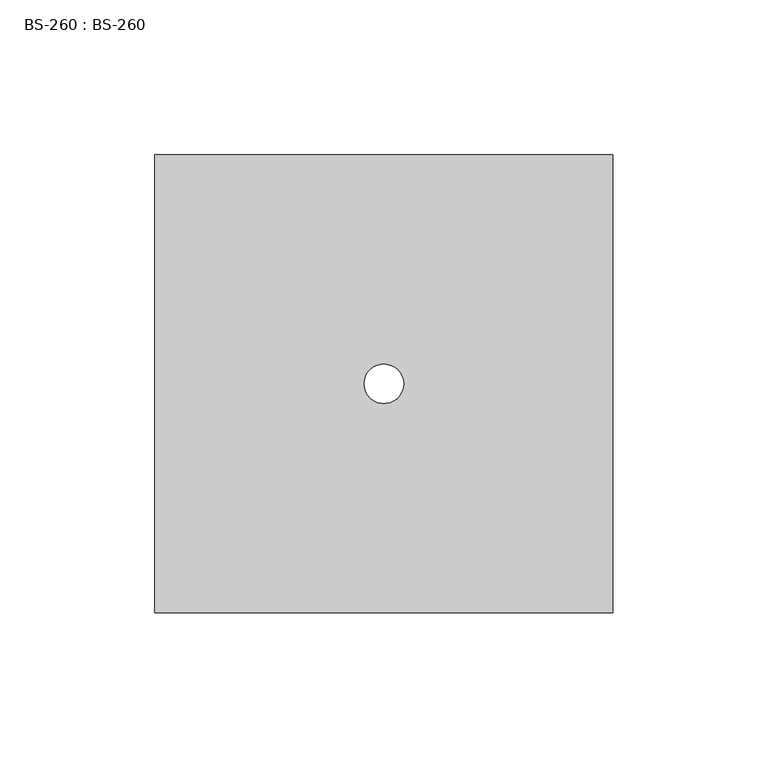
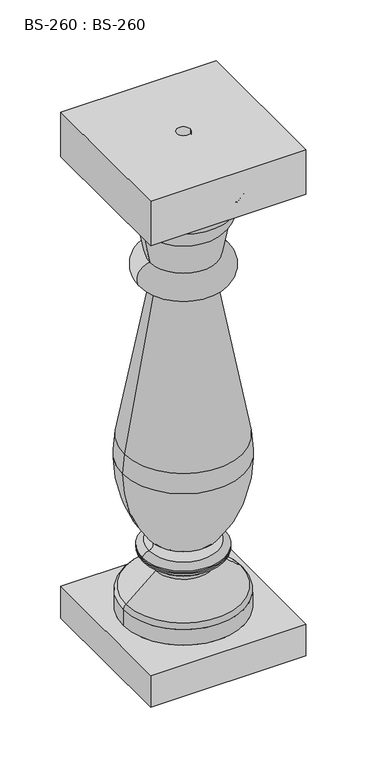
"""IFC4 building model written with IfcOpenShell, lengths in millimetres: proxy geometry, BS-260 : BS-260."""

from ifc_helpers import new_model, si_unit, point, frame, origin, origin_with_axes, place, context, project, spatial, polyline, circle_curve, ellipse_curve, trimmed, source, transform, mapped, element, save
from ifc_brep_helpers import plane_surface, cylinder_surface, revolved_surface, advanced_brep


def bs_260_bs_260_03b27fe0(model_context):
    return source(origin(), model_context, "Body", "AdvancedBrep", [
        advanced_brep(
        [(73.81875, -73.8011067, 508.0), (73.81875, 73.8363933, 508.0), (-73.81875, 73.8363933, 508.0), (-73.81875, -73.8011067, 508.0), (-6.35, 0.0, 508.0), (6.35, 0.0, 508.0), (73.81875, -73.8011067, 463.55), (-73.81875, -73.8011067, 463.55), (-73.81875, 73.8363933, 463.55), (73.81875, 73.8363933, 463.55), (58.1806458, 0.0, 463.55), (-58.1806458, 0.0, 463.55), (-38.1, 0.0, 419.1), (38.1, 0.0, 419.1), (31.75, 0.0, 387.35), (-31.75, 0.0, 387.35), (-45.281237, 0.0, 435.8562196), (45.281237, 0.0, 435.8562196), (-57.15, 0.0, 47.2792456), (57.15, 0.0, 47.2792456), (57.15, 0.0, 31.75), (-57.15, 0.0, 31.75), (-54.8801407, 0.0, 52.1449369), (54.8801407, 0.0, 52.1449369), (-26.19375, 0.0, 80.9625), (26.19375, 0.0, 80.9625), (26.19375, 0.0, 76.2), (-26.19375, 0.0, 76.2), (-28.575, 0.0, 80.9625), (28.575, 0.0, 80.9625), (-33.047238, 0.0, 85.8625103), (33.047238, 0.0, 85.8625103), (-39.2439541, 0.0, 90.7625206), (39.2439541, 0.0, 90.7625206), (-39.2439541, 0.0, 92.075), (39.2439541, 0.0, 92.075), (-39.2439541, 0.0, 93.3874794), (39.2439541, 0.0, 93.3874794), (-33.047238, 0.0, 98.2874897), (33.047238, 0.0, 98.2874897), (-30.8275565, 0.0, 107.356625), (30.8275565, 0.0, 107.356625), (-31.75, 0.0, 107.95), (31.75, 0.0, 107.95), (-57.94375, 0.0, 184.15), (57.94375, 0.0, 184.15), (-56.1846618, 0.0, 203.2537703), (56.1846618, 0.0, 203.2537703), (-26.9875, 0.0, 361.95), (26.9875, 0.0, 361.95), (-31.75, 0.0, 361.95), (31.75, 0.0, 361.95), (73.81875, -73.81875, 31.75), (73.81875, 73.81875, 31.75), (-73.81875, 73.81875, 31.75), (-73.81875, -73.81875, 31.75), (73.81875, -73.81875, 0.0), (-73.81875, -73.81875, 0.0), (-73.81875, 73.81875, 0.0), (73.81875, 73.81875, 0.0), (6.35, 0.0, 0.0), (-6.35, 0.0, 0.0)],
        [
            (0, 1),
            (1, 2),
            (2, 3),
            (3, 0),
            (4, 5, circle_curve(frame((0.0, 0.0, 508.0), z_axis=(0.0, 0.0, -1.0), x_axis=(1.0, 0.0, 0.0)), 6.35)),
            (5, 4, circle_curve(frame((0.0, 0.0, 508.0), z_axis=(0.0, 0.0, -1.0), x_axis=(1.0, 0.0, 0.0)), 6.35)),
            (6, 7),
            (7, 8),
            (8, 9),
            (9, 6),
            (10, 11, circle_curve(frame((0.0, 0.0, 463.55), z_axis=(0.0, 0.0, 1.0), x_axis=(1.0, 0.0, 0.0)), 58.1806458)),
            (11, 10, circle_curve(frame((0.0, 0.0, 463.55), z_axis=(0.0, 0.0, 1.0), x_axis=(1.0, 0.0, 0.0)), 58.1806458)),
            (0, 6),
            (9, 1),
            (8, 2),
            (7, 3),
            (12, 13, circle_curve(frame((0.0, 0.0, 419.1), z_axis=(0.0, 0.0, -1.0), x_axis=(1.0, 0.0, 0.0)), 38.1)),
            (13, 14),
            (14, 15, circle_curve(frame((0.0, 0.0, 387.35), z_axis=(0.0, 0.0, 1.0), x_axis=(1.0, 0.0, 0.0)), 31.75)),
            (15, 12),
            (13, 12, circle_curve(frame((0.0, 0.0, 419.1), z_axis=(0.0, 0.0, -1.0), x_axis=(1.0, 0.0, 0.0)), 38.1)),
            (15, 14, circle_curve(frame((0.0, 0.0, 387.35), z_axis=(0.0, 0.0, 1.0), x_axis=(1.0, 0.0, 0.0)), 31.75)),
            (12, 16, circle_curve(frame((-15.2631426, 0.0, 438.8041709), z_axis=(0.0, 1.0, 0.0), x_axis=(-1.0, 0.0, 0.0)), 30.1625)),
            (16, 17, circle_curve(frame((0.0, 0.0, 435.8562196), z_axis=(0.0, 0.0, -1.0), x_axis=(1.0, 0.0, 0.0)), 45.281237)),
            (17, 13, circle_curve(frame((15.2631426, 0.0, 438.8041709), z_axis=(0.0, 1.0, 0.0), x_axis=(1.0, 0.0, 0.0)), 30.1625)),
            (17, 16, circle_curve(frame((0.0, 0.0, 435.8562196), z_axis=(0.0, 0.0, -1.0), x_axis=(1.0, 0.0, 0.0)), 45.281237)),
            (16, 11, circle_curve(frame((-91.1243616, 0.0, 431.3541583), z_axis=(0.0, -1.0, 0.0), x_axis=(-1.0, 0.0, 0.0)), 46.0636585)),
            (10, 17, circle_curve(frame((91.1243616, 0.0, 431.3541583), z_axis=(0.0, -1.0, 0.0), x_axis=(1.0, 0.0, 0.0)), 46.0636585)),
            (18, 19, circle_curve(frame((0.0, 0.0, 47.2792456), z_axis=(0.0, 0.0, -1.0), x_axis=(1.0, 0.0, 0.0)), 57.15)),
            (19, 20),
            (20, 21, circle_curve(frame((0.0, 0.0, 31.75), z_axis=(0.0, 0.0, 1.0), x_axis=(1.0, 0.0, 0.0)), 57.15)),
            (21, 18),
            (19, 18, circle_curve(frame((0.0, 0.0, 47.2792456), z_axis=(0.0, 0.0, -1.0), x_axis=(1.0, 0.0, 0.0)), 57.15)),
            (21, 20, circle_curve(frame((0.0, 0.0, 31.75), z_axis=(0.0, 0.0, 1.0), x_axis=(1.0, 0.0, 0.0)), 57.15)),
            (18, 22, circle_curve(frame((-50.8, 0.0, 47.2792456), z_axis=(0.0, 1.0, 0.0), x_axis=(-1.0, 0.0, 0.0)), 6.35)),
            (22, 23, circle_curve(frame((0.0, 0.0, 52.1449369), z_axis=(0.0, 0.0, -1.0), x_axis=(1.0, 0.0, 0.0)), 54.8801407)),
            (23, 19, circle_curve(frame((50.8, 0.0, 47.2792456), z_axis=(0.0, 1.0, 0.0), x_axis=(1.0, 0.0, 0.0)), 6.35)),
            (23, 22, circle_curve(frame((0.0, 0.0, 52.1449369), z_axis=(0.0, 0.0, -1.0), x_axis=(1.0, 0.0, 0.0)), 54.8801407)),
            (24, 25, circle_curve(frame((0.0, 0.0, 80.9625), z_axis=(0.0, 0.0, -1.0), x_axis=(1.0, 0.0, 0.0)), 26.19375)),
            (25, 26),
            (26, 27, circle_curve(frame((0.0, 0.0, 76.2), z_axis=(0.0, 0.0, 1.0), x_axis=(1.0, 0.0, 0.0)), 26.19375)),
            (27, 24),
            (25, 24, circle_curve(frame((0.0, 0.0, 80.9625), z_axis=(0.0, 0.0, -1.0), x_axis=(1.0, 0.0, 0.0)), 26.19375)),
            (27, 26, circle_curve(frame((0.0, 0.0, 76.2), z_axis=(0.0, 0.0, 1.0), x_axis=(1.0, 0.0, 0.0)), 26.19375)),
            (24, 28),
            (28, 29, circle_curve(frame((0.0, 0.0, 80.9625), z_axis=(0.0, 0.0, -1.0), x_axis=(1.0, 0.0, 0.0)), 28.575)),
            (29, 25),
            (29, 28, circle_curve(frame((0.0, 0.0, 80.9625), z_axis=(0.0, 0.0, -1.0), x_axis=(1.0, 0.0, 0.0)), 28.575)),
            (28, 30, circle_curve(frame((-33.5583966, 0.0, 80.9050657), z_axis=(0.0, -1.0, 0.0), x_axis=(-1.0, 0.0, 0.0)), 4.9837276)),
            (30, 31, circle_curve(frame((0.0, 0.0, 85.8625103), z_axis=(0.0, 0.0, -1.0), x_axis=(1.0, 0.0, 0.0)), 33.047238)),
            (31, 29, circle_curve(frame((33.5583966, 0.0, 80.9050657), z_axis=(0.0, -1.0, 0.0), x_axis=(1.0, 0.0, 0.0)), 4.9837276)),
            (31, 30, circle_curve(frame((0.0, 0.0, 85.8625103), z_axis=(0.0, 0.0, -1.0), x_axis=(1.0, 0.0, 0.0)), 33.047238)),
            (30, 32, circle_curve(frame((-32.2921477, 0.0, 93.1857145), z_axis=(0.0, 1.0, 0.0), x_axis=(-1.0, 0.0, 0.0)), 7.3620296)),
            (32, 33, circle_curve(frame((0.0, 0.0, 90.7625206), z_axis=(0.0, 0.0, -1.0), x_axis=(1.0, 0.0, 0.0)), 39.2439541)),
            (33, 31, circle_curve(frame((32.2921477, 0.0, 93.1857145), z_axis=(0.0, 1.0, 0.0), x_axis=(1.0, 0.0, 0.0)), 7.3620296)),
            (33, 32, circle_curve(frame((0.0, 0.0, 90.7625206), z_axis=(0.0, 0.0, -1.0), x_axis=(1.0, 0.0, 0.0)), 39.2439541)),
            (32, 34),
            (34, 35, circle_curve(frame((0.0, 0.0, 92.075), z_axis=(0.0, 0.0, -1.0), x_axis=(1.0, 0.0, 0.0)), 39.2439541)),
            (35, 33),
            (35, 34, circle_curve(frame((0.0, 0.0, 92.075), z_axis=(0.0, 0.0, -1.0), x_axis=(1.0, 0.0, 0.0)), 39.2439541)),
            (34, 36),
            (36, 37, circle_curve(frame((0.0, 0.0, 93.3874794), z_axis=(0.0, 0.0, -1.0), x_axis=(1.0, 0.0, 0.0)), 39.2439541)),
            (37, 35),
            (37, 36, circle_curve(frame((0.0, 0.0, 93.3874794), z_axis=(0.0, 0.0, -1.0), x_axis=(1.0, 0.0, 0.0)), 39.2439541)),
            (36, 38, circle_curve(frame((-31.4950038, 0.0, 89.9561908), z_axis=(0.0, 1.0, 0.0), x_axis=(-1.0, 0.0, 0.0)), 8.4746665)),
            (38, 39, circle_curve(frame((0.0, 0.0, 98.2874897), z_axis=(0.0, 0.0, -1.0), x_axis=(1.0, 0.0, 0.0)), 33.047238)),
            (39, 37, circle_curve(frame((31.4950038, 0.0, 89.9561908), z_axis=(0.0, 1.0, 0.0), x_axis=(1.0, 0.0, 0.0)), 8.4746665)),
            (39, 38, circle_curve(frame((0.0, 0.0, 98.2874897), z_axis=(0.0, 0.0, -1.0), x_axis=(1.0, 0.0, 0.0)), 33.047238)),
            (38, 40, circle_curve(frame((-33.9854833, 0.0, 103.3233288), z_axis=(0.0, -1.0, 0.0), x_axis=(-1.0, 0.0, 0.0)), 5.1224975)),
            (40, 41, circle_curve(frame((0.0, 0.0, 107.356625), z_axis=(0.0, 0.0, -1.0), x_axis=(1.0, 0.0, 0.0)), 30.8275565)),
            (41, 39, circle_curve(frame((33.9854833, 0.0, 103.3233288), z_axis=(0.0, -1.0, 0.0), x_axis=(1.0, 0.0, 0.0)), 5.1224975)),
            (41, 40, circle_curve(frame((0.0, 0.0, 107.356625), z_axis=(0.0, 0.0, -1.0), x_axis=(1.0, 0.0, 0.0)), 30.8275565)),
            (40, 42, circle_curve(frame((-34.4821567, 0.0, 102.6889789), z_axis=(0.0, -1.0, 0.0), x_axis=(-1.0, 0.0, 0.0)), 5.9281552)),
            (42, 43, circle_curve(frame((0.0, 0.0, 107.95), z_axis=(0.0, 0.0, -1.0), x_axis=(1.0, 0.0, 0.0)), 31.75)),
            (43, 41, circle_curve(frame((34.4821567, 0.0, 102.6889789), z_axis=(0.0, -1.0, 0.0), x_axis=(1.0, 0.0, 0.0)), 5.9281552)),
            (43, 42, circle_curve(frame((0.0, 0.0, 107.95), z_axis=(0.0, 0.0, -1.0), x_axis=(1.0, 0.0, 0.0)), 31.75)),
            (42, 44, circle_curve(frame((65.3807546, 0.0, 183.9407477), z_axis=(0.0, 1.0, 0.0), x_axis=(-1.0, 0.0, 0.0)), 123.3246822)),
            (44, 45, circle_curve(frame((0.0, 0.0, 184.15), z_axis=(0.0, 0.0, -1.0), x_axis=(1.0, 0.0, 0.0)), 57.94375)),
            (45, 43, circle_curve(frame((-65.3807546, 0.0, 183.9407477), z_axis=(0.0, 1.0, 0.0), x_axis=(1.0, 0.0, 0.0)), 123.3246822)),
            (45, 44, circle_curve(frame((0.0, 0.0, 184.15), z_axis=(0.0, 0.0, -1.0), x_axis=(1.0, 0.0, 0.0)), 57.94375)),
            (44, 46, circle_curve(frame((48.633552, 0.0, 183.9691637), z_axis=(0.0, 1.0, 0.0), x_axis=(-1.0, 0.0, 0.0)), 106.5774554)),
            (46, 47, circle_curve(frame((0.0, 0.0, 203.2537703), z_axis=(0.0, 0.0, -1.0), x_axis=(1.0, 0.0, 0.0)), 56.1846618)),
            (47, 45, circle_curve(frame((-48.633552, 0.0, 183.9691637), z_axis=(0.0, 1.0, 0.0), x_axis=(1.0, 0.0, 0.0)), 106.5774554)),
            (47, 46, circle_curve(frame((0.0, 0.0, 203.2537703), z_axis=(0.0, 0.0, -1.0), x_axis=(1.0, 0.0, 0.0)), 56.1846618)),
            (46, 48),
            (48, 49, circle_curve(frame((0.0, 0.0, 361.95), z_axis=(0.0, 0.0, -1.0), x_axis=(1.0, 0.0, 0.0)), 26.9875)),
            (49, 47),
            (49, 48, circle_curve(frame((0.0, 0.0, 361.95), z_axis=(0.0, 0.0, -1.0), x_axis=(1.0, 0.0, 0.0)), 26.9875)),
            (48, 50),
            (50, 51, circle_curve(frame((0.0, 0.0, 361.95), z_axis=(0.0, 0.0, -1.0), x_axis=(1.0, 0.0, 0.0)), 31.75)),
            (51, 49),
            (51, 50, circle_curve(frame((0.0, 0.0, 361.95), z_axis=(0.0, 0.0, -1.0), x_axis=(1.0, 0.0, 0.0)), 31.75)),
            (14, 51, circle_curve(frame((31.75, 0.0, 374.65), z_axis=(0.0, 1.0, 0.0), x_axis=(1.0, 0.0, 0.0)), 12.7)),
            (50, 15, circle_curve(frame((-31.75, 0.0, 374.65), z_axis=(0.0, 1.0, 0.0), x_axis=(-1.0, 0.0, 0.0)), 12.7)),
            (22, 27),
            (26, 23),
            (52, 53),
            (53, 54),
            (54, 55),
            (55, 52),
            (56, 57),
            (57, 58),
            (58, 59),
            (59, 56),
            (60, 61, circle_curve(origin_with_axes(), 6.35)),
            (61, 60, circle_curve(origin_with_axes(), 6.35)),
            (52, 56),
            (59, 53),
            (58, 54),
            (57, 55),
            (60, 5),
            (4, 61),
        ],
        [
            plane_surface(frame((73.81875, -111.9011067, 508.0), z_axis=(0.0, 0.0, 1.0), x_axis=(0.0, 1.0, 0.0))),
            plane_surface(frame((73.81875, -111.9011067, 463.55), z_axis=(0.0, 0.0, -1.0), x_axis=(0.0, -1.0, 0.0))),
            plane_surface(frame((73.81875, -73.8011067, 508.0), z_axis=(1.0, 0.0, 0.0), x_axis=(0.0, 0.0, -1.0))),
            plane_surface(frame((73.81875, 73.8363933, 508.0), z_axis=(0.0, 1.0, 0.0), x_axis=(0.0, 0.0, -1.0))),
            plane_surface(frame((-73.81875, 73.8363933, 508.0), z_axis=(-1.0, 0.0, 0.0), x_axis=(0.0, 0.0, -1.0))),
            plane_surface(frame((-73.81875, -73.8011067, 508.0), z_axis=(0.0, -1.0, 0.0), x_axis=(0.0, 0.0, -1.0))),
            revolved_surface(polyline([(31.75, 0.0, 387.35), (38.1, 0.0, 419.1)]), (0.0, 0.0, 463.55), (0.0, 0.0, 1.0)),
            revolved_surface(trimmed(ellipse_curve(frame((15.2631426, 0.0, 438.8041709), z_axis=(0.0, -1.0, 0.0), x_axis=(1.0, 0.0, 0.0)), 30.1625, 30.1625), [point((38.1, 0.0, 419.1))], [point((45.281237, 0.0, 435.8562196))], True, "CARTESIAN"), (0.0, 0.0, 463.55), (0.0, 0.0, 1.0)),
            revolved_surface(trimmed(ellipse_curve(frame((91.1243616, 0.0, 431.3541583), z_axis=(0.0, 1.0, 0.0), x_axis=(1.0, 0.0, 0.0)), 46.0636585, 46.0636585), [point((45.281237, 0.0, 435.8562196))], [point((58.1806458, 0.0, 463.55))], True, "CARTESIAN"), (0.0, 0.0, 463.55), (0.0, 0.0, 1.0)),
            cylinder_surface(frame((0.0, 0.0, 463.55), z_axis=(0.0, 0.0, 1.0), x_axis=(1.0, 0.0, 0.0)), 57.15),
            revolved_surface(trimmed(ellipse_curve(frame((50.8, 0.0, 47.2792456), z_axis=(0.0, -1.0, 0.0), x_axis=(1.0, 0.0, 0.0)), 6.35, 6.35), [point((57.15, 0.0, 47.2792456))], [point((54.8801407, 0.0, 52.1449369))], True, "CARTESIAN"), (0.0, 0.0, 463.55), (0.0, 0.0, 1.0)),
            cylinder_surface(frame((0.0, 0.0, 463.55), z_axis=(0.0, 0.0, 1.0), x_axis=(1.0, 0.0, 0.0)), 26.19375),
            plane_surface(frame((0.0, 0.0, 80.9625), z_axis=(0.0, 0.0, -1.0), x_axis=(1.0, 0.0, 0.0))),
            revolved_surface(trimmed(ellipse_curve(frame((33.5583966, 0.0, 80.9050657), z_axis=(0.0, 1.0, 0.0), x_axis=(1.0, 0.0, 0.0)), 4.9837276, 4.9837276), [point((28.575, 0.0, 80.9625))], [point((33.047238, 0.0, 85.8625103))], True, "CARTESIAN"), (0.0, 0.0, 463.55), (0.0, 0.0, 1.0)),
            revolved_surface(trimmed(ellipse_curve(frame((32.2921477, 0.0, 93.1857145), z_axis=(0.0, -1.0, 0.0), x_axis=(1.0, 0.0, 0.0)), 7.3620296, 7.3620296), [point((33.047238, 0.0, 85.8625103))], [point((39.2439541, 0.0, 90.7625206))], True, "CARTESIAN"), (0.0, 0.0, 463.55), (0.0, 0.0, 1.0)),
            cylinder_surface(frame((0.0, 0.0, 463.55), z_axis=(0.0, 0.0, 1.0), x_axis=(1.0, 0.0, 0.0)), 39.2439541),
            revolved_surface(trimmed(ellipse_curve(frame((31.4950038, 0.0, 89.9561908), z_axis=(0.0, -1.0, 0.0), x_axis=(1.0, 0.0, 0.0)), 8.4746665, 8.4746665), [point((39.2439541, 0.0, 93.3874794))], [point((33.047238, 0.0, 98.2874897))], True, "CARTESIAN"), (0.0, 0.0, 463.55), (0.0, 0.0, 1.0)),
            revolved_surface(trimmed(ellipse_curve(frame((33.9854833, 0.0, 103.3233288), z_axis=(0.0, 1.0, 0.0), x_axis=(1.0, 0.0, 0.0)), 5.1224975, 5.1224975), [point((33.047238, 0.0, 98.2874897))], [point((30.8275565, 0.0, 107.356625))], True, "CARTESIAN"), (0.0, 0.0, 463.55), (0.0, 0.0, 1.0)),
            revolved_surface(trimmed(ellipse_curve(frame((34.4821567, 0.0, 102.6889789), z_axis=(0.0, 1.0, 0.0), x_axis=(1.0, 0.0, 0.0)), 5.9281552, 5.9281552), [point((30.8275565, 0.0, 107.356625))], [point((31.75, 0.0, 107.95))], True, "CARTESIAN"), (0.0, 0.0, 463.55), (0.0, 0.0, 1.0)),
            revolved_surface(trimmed(ellipse_curve(frame((-65.3807546, 0.0, 183.9407477), z_axis=(0.0, -1.0, 0.0), x_axis=(1.0, 0.0, 0.0)), 123.3246822, 123.3246822), [point((31.75, 0.0, 107.95))], [point((57.94375, 0.0, 184.15))], True, "CARTESIAN"), (0.0, 0.0, 463.55), (0.0, 0.0, 1.0)),
            revolved_surface(trimmed(ellipse_curve(frame((-48.633552, 0.0, 183.9691637), z_axis=(0.0, -1.0, 0.0), x_axis=(1.0, 0.0, 0.0)), 106.5774554, 106.5774554), [point((57.94375, 0.0, 184.15))], [point((56.1846618, 0.0, 203.2537703))], True, "CARTESIAN"), (0.0, 0.0, 463.55), (0.0, 0.0, 1.0)),
            revolved_surface(polyline([(56.1846618, 0.0, 203.2537703), (26.9875, 0.0, 361.95)]), (0.0, 0.0, 463.55), (0.0, 0.0, 1.0)),
            plane_surface(frame((0.0, 0.0, 361.95), z_axis=(0.0, 0.0, -1.0), x_axis=(1.0, 0.0, 0.0))),
            revolved_surface(trimmed(ellipse_curve(frame((31.75, 0.0, 374.65), z_axis=(0.0, -1.0, 0.0), x_axis=(1.0, 0.0, 0.0)), 12.7, 12.7), [point((31.75, 0.0, 361.95))], [point((31.75, 0.0, 387.35))], True, "CARTESIAN"), (0.0, 0.0, 463.55), (0.0, 0.0, 1.0)),
            revolved_surface(polyline([(54.8801407, 0.0, 52.1449369), (26.19375, 0.0, 76.2)]), (0.0, 0.0, 463.55), (0.0, 0.0, 1.0)),
            plane_surface(frame((73.81875, -111.91875, 31.75), z_axis=(0.0, 0.0, 1.0), x_axis=(0.0, 1.0, 0.0))),
            plane_surface(frame((73.81875, -111.91875, 0.0), z_axis=(0.0, 0.0, -1.0), x_axis=(0.0, -1.0, 0.0))),
            plane_surface(frame((73.81875, -73.81875, 31.75), z_axis=(1.0, 0.0, 0.0), x_axis=(0.0, 0.0, -1.0))),
            plane_surface(frame((73.81875, 73.81875, 31.75), z_axis=(0.0, 1.0, 0.0), x_axis=(0.0, 0.0, -1.0))),
            plane_surface(frame((-73.81875, 73.81875, 31.75), z_axis=(-1.0, 0.0, 0.0), x_axis=(0.0, 0.0, -1.0))),
            plane_surface(frame((-73.81875, -73.81875, 31.75), z_axis=(0.0, -1.0, 0.0), x_axis=(0.0, 0.0, -1.0))),
            revolved_surface(polyline([(6.35, 0.0, 0.0), (6.35, 0.0, 508.0)]), (0.0, 0.0, 508.0), (0.0, 0.0, -1.0)),
        ],
        [
            (0, [[1, 2, 3, 4], [5, 6]]),
            (1, [[7, 8, 9, 10], [11, 12]]),
            (2, [[-1, 13, -10, 14]]),
            (3, [[-2, -14, -9, 15]]),
            (4, [[-3, -15, -8, 16]]),
            (5, [[-4, -16, -7, -13]]),
            (6, [[17, 18, 19, 20]]),
            (6, [[-18, 21, -20, 22]]),
            (7, [[-17, 23, 24, 25]]),
            (7, [[-21, -25, 26, -23]]),
            (8, [[-24, 27, -11, 28]]),
            (8, [[-26, -28, -12, -27]]),
            (9, [[29, 30, 31, 32]]),
            (9, [[-30, 33, -32, 34]]),
            (10, [[-29, 35, 36, 37]]),
            (10, [[-33, -37, 38, -35]]),
            (11, [[39, 40, 41, 42]]),
            (11, [[-40, 43, -42, 44]]),
            (12, [[-39, 45, 46, 47]]),
            (12, [[-43, -47, 48, -45]]),
            (13, [[-46, 49, 50, 51]]),
            (13, [[-48, -51, 52, -49]]),
            (14, [[-50, 53, 54, 55]]),
            (14, [[-52, -55, 56, -53]]),
            (15, [[-54, 57, 58, 59]]),
            (15, [[-56, -59, 60, -57]]),
            (15, [[-58, 61, 62, 63]]),
            (15, [[-60, -63, 64, -61]]),
            (16, [[-62, 65, 66, 67]]),
            (16, [[-64, -67, 68, -65]]),
            (17, [[-66, 69, 70, 71]]),
            (17, [[-68, -71, 72, -69]]),
            (18, [[-70, 73, 74, 75]]),
            (18, [[-72, -75, 76, -73]]),
            (19, [[-74, 77, 78, 79]]),
            (19, [[-76, -79, 80, -77]]),
            (20, [[-78, 81, 82, 83]]),
            (20, [[-80, -83, 84, -81]]),
            (21, [[-82, 85, 86, 87]]),
            (21, [[-84, -87, 88, -85]]),
            (22, [[-86, 89, 90, 91]]),
            (22, [[-88, -91, 92, -89]]),
            (23, [[-19, 93, -90, 94]]),
            (23, [[-22, -94, -92, -93]]),
            (24, [[-36, 95, -41, 96]]),
            (24, [[-38, -96, -44, -95]]),
            (25, [[97, 98, 99, 100], [-31, -34]]),
            (26, [[101, 102, 103, 104], [105, 106]]),
            (27, [[-97, 107, -104, 108]]),
            (28, [[-98, -108, -103, 109]]),
            (29, [[-99, -109, -102, 110]]),
            (30, [[-100, -110, -101, -107]]),
            (31, [[111, -5, 112, -105]]),
            (31, [[-111, -106, -112, -6]]),
        ],
    ),
    ])


if __name__ == "__main__":
    model = new_model("IFC4")
    model_context = context("Model", 3, world=origin())
    ifc_project = project(units=[si_unit("LENGTHUNIT", "METRE", prefix="MILLI")], contexts=[model_context])
    site = spatial("IfcSite", under=ifc_project)
    building = spatial("IfcBuilding", under=site)
    placement = place(None, origin())
    bs_260_bs_260_shape = bs_260_bs_260_03b27fe0(model_context)
    element("IfcBuildingElementProxy", 1, Name="BS-260 : BS-260", ObjectType="BS-260 : BS-260", at=placement, inside=building, context=model_context, shape_type="MappedRepresentation", body=[
        mapped(bs_260_bs_260_shape, transform((0.0, 0.0, 0.0), x_axis=(1.0, 0.0, 0.0), y_axis=(0.0, 1.0, 0.0), z_axis=(0.0, 0.0, 1.0))),
    ])
    save(model, "model.ifc")
